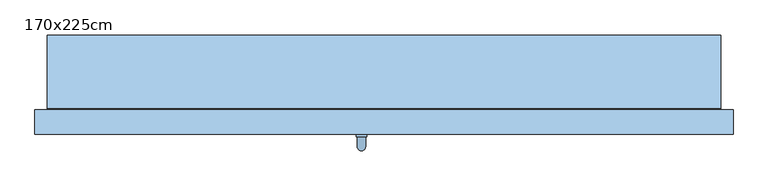
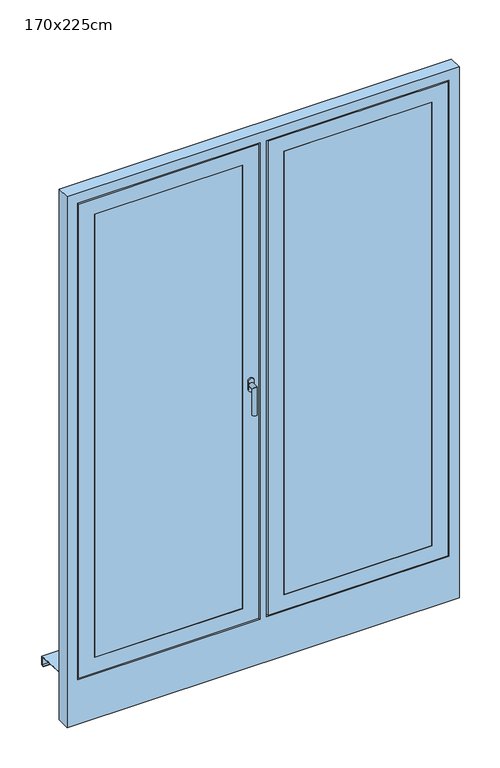
"""IFC4 building model written with IfcOpenShell, lengths in millimetres: window geometry, 170x225cm."""

from ifc_helpers import new_model, si_unit, frame, origin, place, context, project, spatial, polyline, circle_curve, ellipse_curve, outline, extrude, faceted_brep, source, transform, mapped, element, save
from ifc_brep_helpers import plane_surface, cylinder_surface, advanced_brep


def window_170x225cm_df7c8a7e(model_context):
    return source(origin(), model_context, "Body", "SolidModel", [
        faceted_brep([(730.0, -30.0, 2130.0), (730.0, 30.0, 2130.0), (730.0, 30.0, 100.0), (730.0, -30.0, 100.0), (760.0, 30.0, 70.0), (60.0, 30.0, 70.0), (60.0, 30.0, 2160.0), (760.0, 30.0, 2160.0), (90.0, 30.0, 2130.0), (90.0, 30.0, 100.0), (90.0, -30.0, 100.0), (800.0, -30.0, 2200.0), (20.0, -30.0, 2200.0), (20.0, -30.0, 30.0), (800.0, -30.0, 30.0), (90.0, -30.0, 2130.0), (800.0, -15.0, 2200.0), (800.0, -15.0, 30.0), (20.0, -15.0, 30.0), (20.0, -15.0, 2200.0), (785.0, -15.0, 2185.0), (35.0, -15.0, 2185.0), (35.0, -15.0, 45.0), (785.0, -15.0, 45.0), (785.0, 0.0, 2185.0), (785.0, 0.0, 45.0), (35.0, 0.0, 45.0), (35.0, 0.0, 2185.0), (775.0, 0.0, 2175.0), (45.0, 0.0, 2175.0), (45.0, 0.0, 55.0), (775.0, 0.0, 55.0), (775.0, 15.0, 2175.0), (775.0, 15.0, 55.0), (45.0, 15.0, 55.0), (45.0, 15.0, 2175.0), (760.0, 15.0, 2160.0), (60.0, 15.0, 2160.0), (60.0, 15.0, 70.0), (760.0, 15.0, 70.0)], [[[0, 1, 2, 3]], [[4, 5, 6, 7], [1, 8, 9, 2]], [[3, 2, 9, 10]], [[11, 12, 13, 14], [3, 10, 15, 0]], [[16, 11, 14, 17]], [[17, 14, 13, 18]], [[17, 18, 19, 16], [20, 21, 22, 23]], [[24, 20, 23, 25]], [[25, 23, 22, 26]], [[25, 26, 27, 24], [28, 29, 30, 31]], [[32, 28, 31, 33]], [[33, 31, 30, 34]], [[33, 34, 35, 32], [36, 37, 38, 39]], [[7, 36, 39, 4]], [[4, 39, 38, 5]], [[10, 9, 8, 15]], [[18, 13, 12, 19]], [[26, 22, 21, 27]], [[34, 30, 29, 35]], [[5, 38, 37, 6]], [[15, 8, 1, 0]], [[19, 12, 11, 16]], [[27, 21, 20, 24]], [[35, 29, 28, 32]], [[6, 37, 36, 7]]]),
        extrude(outline(polyline([(730.0, 15.0), (730.0, -29.0), (90.0, -29.0), (90.0, 15.0), (730.0, 15.0)])), frame((0.0, 0.0, 100.0), z_axis=(0.0, 0.0, 1.0), x_axis=(1.0, 0.0, 0.0)), (0.0, 0.0, 1.0), 2030.0),
        faceted_brep([(-820.0, 212.0, -9.3747566), (-820.0, 190.0, -7.9997566), (-820.0, 32.0, 1.8752434), (820.0, 32.0, 1.8752434), (820.0, 190.0, -7.9997566), (820.0, 212.0, -9.3747566), (-820.0, 212.0, -49.3747566), (820.0, 212.0, -49.3747566), (-820.0, 200.0, -49.3747566), (820.0, 200.0, -49.3747566), (-820.0, 200.0, -47.3747566), (820.0, 200.0, -47.3747566), (-820.0, 210.0, -47.3747566), (820.0, 210.0, -47.3747566), (-820.0, 210.0, -11.25), (820.0, 210.0, -11.25), (-820.0, 190.0, -10.0), (820.0, 190.0, -10.0), (820.0, 30.0, 0.0), (-820.0, 30.0, 0.0), (-820.0, 30.0, 20.0), (820.0, 30.0, 20.0), (-820.0, 32.0, 20.0), (820.0, 32.0, 20.0)], [[[0, 1, 2, 3, 4, 5]], [[6, 0, 5, 7]], [[8, 6, 7, 9]], [[10, 8, 9, 11]], [[12, 10, 11, 13]], [[14, 12, 13, 15]], [[16, 14, 15, 17, 18, 19]], [[20, 19, 18, 21]], [[22, 20, 21, 23]], [[2, 22, 23, 3]], [[16, 1, 0, 6, 8, 10, 12, 14]], [[17, 4, 3, 23, 21, 18]], [[1, 16, 19, 20, 22, 2]], [[4, 17, 15, 13, 11, 9, 7, 5]]]),
        advanced_brep(
        [(-67.5, -30.0, 1132.5), (-42.5, -30.0, 1132.5), (-42.5, -30.0, 1115.0), (-42.5, -30.0, 1097.5), (-67.5, -30.0, 1097.5), (-67.5, -30.0, 1115.0), (-45.0, -60.0, 1115.0), (-45.0, -36.0, 1115.0), (-65.0, -36.0, 1115.0), (-65.0, -60.0, 1115.0), (-45.0, -60.0, 995.0), (-65.0, -60.0, 995.0), (-67.5, -36.0, 1132.5), (-67.5, -36.0, 1115.0), (-67.5, -36.0, 1097.5), (-42.5, -36.0, 1097.5), (-42.5, -36.0, 1115.0), (-42.5, -36.0, 1132.5)],
        [
            (0, 1, circle_curve(frame((-55.0, -30.0, 1132.5), z_axis=(0.0, 1.0, 0.0), x_axis=(-1.0, 0.0, 0.0)), 12.5)),
            (1, 2),
            (2, 3),
            (3, 4, circle_curve(frame((-55.0, -30.0, 1097.5), z_axis=(0.0, 1.0, 0.0), x_axis=(-1.0, 0.0, 0.0)), 12.5)),
            (4, 5),
            (5, 0),
            (6, 7),
            (7, 8, circle_curve(frame((-55.0, -36.0, 1115.0), z_axis=(0.0, -1.0, 0.0), x_axis=(-1.0, 0.0, 0.0)), 10.0)),
            (8, 9),
            (9, 6, ellipse_curve(frame((-55.0, -60.0, 1115.0), z_axis=(0.0, 0.7071067811865498, 0.7071067811865451), x_axis=(0.0, 0.7071067811865452, -0.7071067811865497)), 14.1421356, 10.0)),
            (8, 7, circle_curve(frame((-55.0, -36.0, 1115.0), z_axis=(0.0, -1.0, 0.0), x_axis=(-1.0, 0.0, 0.0)), 10.0)),
            (6, 9, ellipse_curve(frame((-55.0, -60.0, 1115.0), z_axis=(0.0, 0.7071067811865498, 0.7071067811865451), x_axis=(0.0, 0.7071067811865452, -0.7071067811865497)), 14.1421356, 10.0)),
            (10, 11, circle_curve(frame((-55.0, -60.0, 995.0), z_axis=(0.0, 0.0, -1.0), x_axis=(-1.0, 0.0, 0.0)), 10.0)),
            (11, 10, circle_curve(frame((-55.0, -60.0, 995.0), z_axis=(0.0, 0.0, -1.0), x_axis=(-1.0, 0.0, 0.0)), 10.0)),
            (9, 11),
            (10, 6),
            (12, 13),
            (13, 14),
            (14, 15, circle_curve(frame((-55.0, -36.0, 1097.5), z_axis=(0.0, -1.0, 0.0), x_axis=(-1.0, 0.0, 0.0)), 12.5)),
            (15, 16),
            (16, 17),
            (17, 12, circle_curve(frame((-55.0, -36.0, 1132.5), z_axis=(0.0, -1.0, 0.0), x_axis=(-1.0, 0.0, 0.0)), 12.5)),
            (17, 1),
            (0, 12),
            (16, 2),
            (15, 3),
            (14, 4),
            (13, 5),
        ],
        [
            plane_surface(frame((-55.0, -30.0, 1115.0), z_axis=(0.0, 1.0, 0.0), x_axis=(-1.0, 0.0, 0.0))),
            cylinder_surface(frame((-55.0, -30.0, 1115.0), z_axis=(0.0, 1.0, 0.0), x_axis=(-1.0, 0.0, 0.0)), 10.0),
            plane_surface(frame((-55.0, -60.0, 995.0), z_axis=(0.0, 0.0, -1.0), x_axis=(-1.0, 0.0, 0.0))),
            cylinder_surface(frame((-55.0, -60.0, 1115.0), z_axis=(0.0, 0.0, 1.0), x_axis=(-1.0, 0.0, 0.0)), 10.0),
            plane_surface(frame((-67.5, -36.0, 1132.5), z_axis=(0.0, -1.0, 0.0), x_axis=(0.0, 0.0, 1.0))),
            cylinder_surface(frame((-55.0, -30.0, 1132.5), z_axis=(0.0, -1.0, 0.0), x_axis=(-1.0, 0.0, 0.0)), 12.5),
            plane_surface(frame((-42.5, -36.0, 1132.5), z_axis=(1.0, 0.0, 0.0), x_axis=(0.0, 1.0, 0.0))),
            plane_surface(frame((-42.5, -36.0, 1115.0), z_axis=(1.0, 0.0, 0.0), x_axis=(0.0, 1.0, 0.0))),
            cylinder_surface(frame((-55.0, -30.0, 1097.5), z_axis=(0.0, -1.0, 0.0), x_axis=(-1.0, 0.0, 0.0)), 12.5),
            plane_surface(frame((-67.5, -36.0, 1097.5), z_axis=(-1.0, 0.0, 0.0), x_axis=(0.0, 1.0, 0.0))),
            plane_surface(frame((-67.5, -36.0, 1115.0), z_axis=(-1.0, 0.0, 0.0), x_axis=(0.0, 1.0, 0.0))),
        ],
        [
            (0, [[1, 2, 3, 4, 5, 6]]),
            (1, [[7, 8, 9, 10]]),
            (1, [[-9, 11, -7, 12]]),
            (2, [[13, 14]]),
            (3, [[15, -13, 16, -10]]),
            (3, [[-16, -14, -15, -12]]),
            (4, [[17, 18, 19, 20, 21, 22], [-11, -8]]),
            (5, [[23, -1, 24, -22]]),
            (6, [[25, -2, -23, -21]]),
            (7, [[26, -3, -25, -20]]),
            (8, [[27, -4, -26, -19]]),
            (9, [[28, -5, -27, -18]]),
            (10, [[-24, -6, -28, -17]]),
        ],
    ),
        faceted_brep([(-730.0, -30.0, 2130.0), (-730.0, -30.0, 100.0), (-730.0, 30.0, 100.0), (-730.0, 30.0, 2130.0), (-760.0, 30.0, 70.0), (-760.0, 30.0, 2160.0), (-60.0, 30.0, 2160.0), (-60.0, 30.0, 70.0), (-90.0, 30.0, 100.0), (-90.0, 30.0, 2130.0), (-90.0, -30.0, 100.0), (-800.0, -30.0, 2200.0), (-800.0, -30.0, 30.0), (-20.0, -30.0, 30.0), (-20.0, -30.0, 2200.0), (-90.0, -30.0, 2130.0), (-800.0, -15.0, 2200.0), (-800.0, -15.0, 30.0), (-20.0, -15.0, 30.0), (-20.0, -15.0, 2200.0), (-785.0, -15.0, 2185.0), (-785.0, -15.0, 45.0), (-35.0, -15.0, 45.0), (-35.0, -15.0, 2185.0), (-785.0, 0.0, 2185.0), (-785.0, 0.0, 45.0), (-35.0, 0.0, 45.0), (-35.0, 0.0, 2185.0), (-775.0, 0.0, 2175.0), (-775.0, 0.0, 55.0), (-45.0, 0.0, 55.0), (-45.0, 0.0, 2175.0), (-775.0, 15.0, 2175.0), (-775.0, 15.0, 55.0), (-45.0, 15.0, 55.0), (-45.0, 15.0, 2175.0), (-760.0, 15.0, 2160.0), (-760.0, 15.0, 70.0), (-60.0, 15.0, 70.0), (-60.0, 15.0, 2160.0)], [[[0, 1, 2, 3]], [[4, 5, 6, 7], [3, 2, 8, 9]], [[1, 10, 8, 2]], [[11, 12, 13, 14], [1, 0, 15, 10]], [[16, 17, 12, 11]], [[17, 18, 13, 12]], [[17, 16, 19, 18], [20, 21, 22, 23]], [[24, 25, 21, 20]], [[25, 26, 22, 21]], [[25, 24, 27, 26], [28, 29, 30, 31]], [[32, 33, 29, 28]], [[33, 34, 30, 29]], [[33, 32, 35, 34], [36, 37, 38, 39]], [[5, 4, 37, 36]], [[4, 7, 38, 37]], [[10, 15, 9, 8]], [[18, 19, 14, 13]], [[26, 27, 23, 22]], [[34, 35, 31, 30]], [[7, 6, 39, 38]], [[15, 0, 3, 9]], [[19, 16, 11, 14]], [[27, 24, 20, 23]], [[35, 32, 28, 31]], [[6, 5, 36, 39]]]),
        extrude(outline(polyline([(-730.0, 15.0), (-90.0, 15.0), (-90.0, -29.0), (-730.0, -29.0), (-730.0, 15.0)])), frame((0.0, 0.0, 100.0), z_axis=(0.0, 0.0, 1.0), x_axis=(1.0, 0.0, 0.0)), (0.0, 0.0, 1.0), 2030.0),
        faceted_brep([(850.0, 30.0, -180.0), (850.0, -30.0, -180.0), (-850.0, -30.0, -180.0), (-850.0, 30.0, -180.0), (850.0, 30.0, 2250.0), (850.0, -30.0, 2250.0), (-850.0, -30.0, 2250.0), (805.0, -30.0, 2205.0), (805.0, -30.0, 25.0), (15.0, -30.0, 25.0), (15.0, -30.0, 2205.0), (-15.0, -30.0, 2205.0), (-15.0, -30.0, 25.0), (-805.0, -30.0, 25.0), (-805.0, -30.0, 2205.0), (-850.0, 30.0, 2250.0), (-55.0, 30.0, 65.0), (-55.0, 30.0, 2165.0), (-765.0, 30.0, 2165.0), (-765.0, 30.0, 65.0), (765.0, 30.0, 65.0), (765.0, 30.0, 2165.0), (55.0, 30.0, 2165.0), (55.0, 30.0, 65.0), (-55.0, 15.0, 65.0), (-55.0, 15.0, 2165.0), (-765.0, 15.0, 65.0), (-765.0, 15.0, 2165.0), (765.0, 15.0, 65.0), (765.0, 15.0, 2165.0), (55.0, 15.0, 65.0), (55.0, 15.0, 2165.0), (-15.0, -15.0, 2205.0), (-15.0, -15.0, 25.0), (-805.0, -15.0, 25.0), (-805.0, -15.0, 2205.0), (805.0, -15.0, 2205.0), (805.0, -15.0, 25.0), (15.0, -15.0, 25.0), (15.0, -15.0, 2205.0), (-30.0, -15.0, 2190.0), (-30.0, -15.0, 40.0), (-790.0, -15.0, 40.0), (-790.0, -15.0, 2190.0), (-30.0, 0.0, 40.0), (-30.0, 0.0, 2190.0), (-790.0, 0.0, 2190.0), (-790.0, 0.0, 40.0), (-40.0, 0.0, 2180.0), (-40.0, 0.0, 50.0), (-780.0, 0.0, 50.0), (-780.0, 0.0, 2180.0), (-40.0, 15.0, 50.0), (-40.0, 15.0, 2180.0), (-780.0, 15.0, 2180.0), (-780.0, 15.0, 50.0), (790.0, -15.0, 2190.0), (790.0, -15.0, 40.0), (30.0, -15.0, 40.0), (30.0, -15.0, 2190.0), (790.0, 0.0, 40.0), (790.0, 0.0, 2190.0), (30.0, 0.0, 2190.0), (30.0, 0.0, 40.0), (780.0, 0.0, 2180.0), (780.0, 0.0, 50.0), (40.0, 0.0, 50.0), (40.0, 0.0, 2180.0), (780.0, 15.0, 50.0), (780.0, 15.0, 2180.0), (40.0, 15.0, 2180.0), (40.0, 15.0, 50.0)], [[[0, 1, 2, 3]], [[4, 5, 1, 0]], [[5, 6, 2, 1], [7, 8, 9, 10], [11, 12, 13, 14]], [[6, 15, 3, 2]], [[15, 4, 0, 3], [16, 17, 18, 19], [20, 21, 22, 23]], [[16, 24, 25, 17]], [[26, 19, 18, 27]], [[24, 16, 19, 26]], [[20, 28, 29, 21]], [[30, 23, 22, 31]], [[28, 20, 23, 30]], [[32, 33, 12, 11]], [[12, 33, 34, 13]], [[13, 34, 35, 14]], [[36, 37, 8, 7]], [[8, 37, 38, 9]], [[9, 38, 39, 10]], [[33, 32, 35, 34], [40, 41, 42, 43]], [[44, 45, 46, 47], [48, 49, 50, 51]], [[45, 44, 41, 40]], [[41, 44, 47, 42]], [[52, 53, 54, 55], [25, 24, 26, 27]], [[53, 52, 49, 48]], [[49, 52, 55, 50]], [[42, 47, 46, 43]], [[50, 55, 54, 51]], [[37, 36, 39, 38], [56, 57, 58, 59]], [[60, 61, 62, 63], [64, 65, 66, 67]], [[61, 60, 57, 56]], [[57, 60, 63, 58]], [[68, 69, 70, 71], [29, 28, 30, 31]], [[69, 68, 65, 64]], [[65, 68, 71, 66]], [[58, 63, 62, 59]], [[66, 71, 70, 67]], [[4, 15, 6, 5]], [[32, 11, 14, 35]], [[45, 40, 43, 46]], [[53, 48, 51, 54]], [[17, 25, 27, 18]], [[36, 7, 10, 39]], [[61, 56, 59, 62]], [[69, 64, 67, 70]], [[21, 29, 31, 22]]]),
    ])


if __name__ == "__main__":
    model = new_model("IFC4")
    model_context = context("Model", 3, world=origin())
    ifc_project = project(units=[si_unit("LENGTHUNIT", "METRE", prefix="MILLI")], contexts=[model_context])
    site = spatial("IfcSite", under=ifc_project)
    building = spatial("IfcBuilding", under=site)
    placement = place(None, origin())
    window_170x225cm_shape = window_170x225cm_df7c8a7e(model_context)
    element("IfcWindow", 1, ObjectType="170x225cm", at=placement, inside=building, context=model_context, shape_type="MappedRepresentation", body=[
        mapped(window_170x225cm_shape, transform((0.0, 0.0, 0.0), x_axis=(1.0, 0.0, 0.0), y_axis=(0.0, 1.0, 0.0), z_axis=(0.0, 0.0, 1.0))),
    ])
    save(model, "model.ifc")
